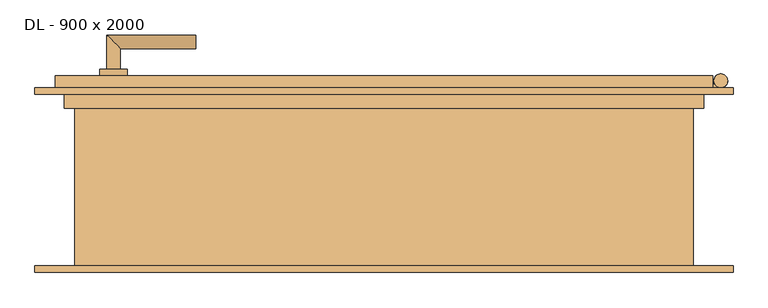
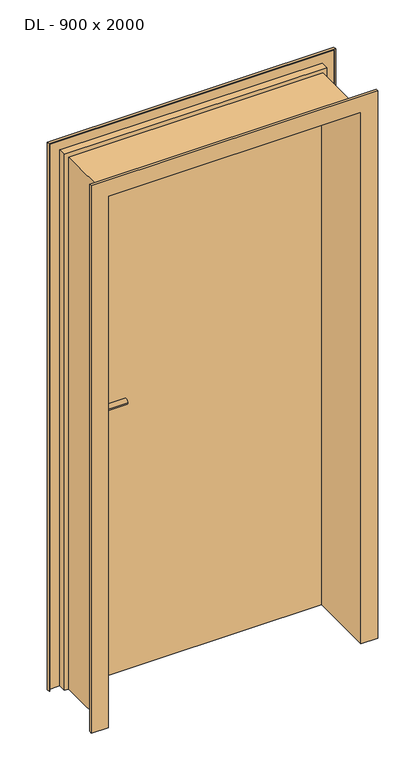
"""IFC4 building model written with IfcOpenShell, lengths in millimetres: door geometry, DL - 900 x 2000."""

from ifc_helpers import new_model, si_unit, point, frame, frame_2d, origin, place, context, project, spatial, polyline, circle_curve, ellipse_curve, trimmed, segment, composite_curve, outline, extrude, faceted_brep, source, transform, mapped, element, save
from ifc_brep_helpers import plane_surface, cylinder_surface, advanced_brep


def dl_900_x_2000_3e882ca3(model_context):
    return source(origin(), model_context, "Body", "SolidModel", [
        faceted_brep([(480.0, 152.0, 0.0), (480.0, 135.0, 0.0), (465.0, 135.0, 0.0), (465.0, 107.0, 0.0), (-465.0, 107.0, 0.0), (-465.0, 135.0, 0.0), (-480.0, 135.0, 0.0), (-480.0, 152.0, 0.0), (480.0, 152.0, 2030.0), (-480.0, 152.0, 2030.0), (-480.0, 135.0, 2030.0), (-465.0, 135.0, 2015.0), (465.0, 135.0, 2015.0), (480.0, 135.0, 2030.0), (-465.0, 107.0, 2015.0), (465.0, 107.0, 2015.0)], [[[0, 1, 2, 3, 4, 5, 6, 7]], [[8, 0, 7, 9]], [[7, 6, 10, 9]], [[11, 12, 2, 1, 13, 10, 6, 5]], [[5, 4, 14, 11]], [[3, 15, 14, 4]], [[12, 15, 3, 2]], [[8, 13, 1, 0]], [[9, 10, 13, 8]], [[11, 14, 15, 12]]]),
        extrude(outline(composite_curve([segment(trimmed(circle_curve(frame_2d((492.0, 145.0)), 10.0), [point((482.0, 145.0))], [point((502.0, 145.0))], False, "CARTESIAN"), True, "CONTINUOUS"), segment(trimmed(circle_curve(frame_2d((492.0, 145.0)), 10.0), [point((502.0, 145.0))], [point((482.0, 145.0))], False, "CARTESIAN"), True, "CONTINUOUS")], self_intersect=False)), frame((0.0, 0.0, 1799.0), z_axis=(0.0, 0.0, 1.0), x_axis=(1.0, 0.0, 0.0)), (0.0, 0.0, 1.0), 25.0),
        extrude(outline(composite_curve([segment(polyline([(492.0, 135.0), (480.0, 135.0), (480.0, 140.0), (483.339746, 140.0)]), True, "CONTINUOUS"), segment(trimmed(circle_curve(frame_2d((492.0, 145.0)), 10.0), [point((483.339746, 140.0))], [point((492.0, 135.0))], False, "CARTESIAN"), True, "CONTINUOUS")], self_intersect=False)), frame((0.0, 0.0, 1749.0), z_axis=(0.0, 0.0, 1.0), x_axis=(1.0, 0.0, 0.0)), (0.0, 0.0, 1.0), 50.0),
        extrude(outline(composite_curve([segment(trimmed(circle_curve(frame_2d((492.0, 145.0)), 10.0), [point((482.0, 145.0))], [point((502.0, 145.0))], False, "CARTESIAN"), True, "CONTINUOUS"), segment(trimmed(circle_curve(frame_2d((492.0, 145.0)), 10.0), [point((502.0, 145.0))], [point((482.0, 145.0))], False, "CARTESIAN"), True, "CONTINUOUS")], self_intersect=False)), frame((0.0, 0.0, 1724.0), z_axis=(0.0, 0.0, 1.0), x_axis=(1.0, 0.0, 0.0)), (0.0, 0.0, 1.0), 25.0),
        extrude(outline(composite_curve([segment(trimmed(circle_curve(frame_2d((492.0, 145.0)), 10.0), [point((482.0, 145.0))], [point((502.0, 145.0))], False, "CARTESIAN"), True, "CONTINUOUS"), segment(trimmed(circle_curve(frame_2d((492.0, 145.0)), 10.0), [point((502.0, 145.0))], [point((482.0, 145.0))], False, "CARTESIAN"), True, "CONTINUOUS")], self_intersect=False)), frame((0.0, 0.0, 266.0), z_axis=(0.0, 0.0, 1.0), x_axis=(1.0, 0.0, 0.0)), (0.0, 0.0, 1.0), 25.0),
        extrude(outline(composite_curve([segment(polyline([(492.0, 135.0), (480.0, 135.0), (480.0, 140.0), (483.339746, 140.0)]), True, "CONTINUOUS"), segment(trimmed(circle_curve(frame_2d((492.0, 145.0)), 10.0), [point((483.339746, 140.0))], [point((492.0, 135.0))], False, "CARTESIAN"), True, "CONTINUOUS")], self_intersect=False)), frame((0.0, 0.0, 216.0), z_axis=(0.0, 0.0, 1.0), x_axis=(1.0, 0.0, 0.0)), (0.0, 0.0, 1.0), 50.0),
        extrude(outline(composite_curve([segment(trimmed(circle_curve(frame_2d((492.0, 145.0)), 10.0), [point((482.0, 145.0))], [point((502.0, 145.0))], False, "CARTESIAN"), True, "CONTINUOUS"), segment(trimmed(circle_curve(frame_2d((492.0, 145.0)), 10.0), [point((502.0, 145.0))], [point((482.0, 145.0))], False, "CARTESIAN"), True, "CONTINUOUS")], self_intersect=False)), frame((0.0, 0.0, 191.0), z_axis=(0.0, 0.0, 1.0), x_axis=(1.0, 0.0, 0.0)), (0.0, 0.0, 1.0), 25.0),
        advanced_brep(
        [(-385.0, 162.0, 1050.0), (-405.0, 162.0, 1050.0), (-385.0, 192.0, 1050.0), (-405.0, 212.0, 1050.0), (-275.0, 192.0, 1050.0), (-275.0, 212.0, 1050.0)],
        [
            (0, 1, circle_curve(frame((-395.0, 162.0, 1050.0), z_axis=(0.0, -1.0, 0.0), x_axis=(-1.0, 0.0, 0.0)), 10.0)),
            (1, 0, circle_curve(frame((-395.0, 162.0, 1050.0), z_axis=(0.0, -1.0, 0.0), x_axis=(-1.0, 0.0, 0.0)), 10.0)),
            (0, 2),
            (2, 3, ellipse_curve(frame((-395.0, 202.0, 1050.0), z_axis=(-0.7071067811865531, -0.7071067811865419, 0.0), x_axis=(0.707106781186542, -0.707106781186553, 0.0)), 14.1421356, 10.0)),
            (3, 1),
            (3, 2, ellipse_curve(frame((-395.0, 202.0, 1050.0), z_axis=(-0.7071067811865531, -0.7071067811865419, 0.0), x_axis=(0.707106781186542, -0.707106781186553, 0.0)), 14.1421356, 10.0)),
            (4, 5, circle_curve(frame((-275.0, 202.0, 1050.0), z_axis=(1.0, 0.0, 0.0), x_axis=(0.0, 1.0, 0.0)), 10.0)),
            (5, 4, circle_curve(frame((-275.0, 202.0, 1050.0), z_axis=(1.0, 0.0, 0.0), x_axis=(0.0, 1.0, 0.0)), 10.0)),
            (2, 4),
            (5, 3),
        ],
        [
            plane_surface(frame((-395.0, 162.0, 1050.0), z_axis=(0.0, -1.0, 0.0), x_axis=(0.0, 0.0, 1.0))),
            cylinder_surface(frame((-395.0, 162.0, 1050.0), z_axis=(0.0, -1.0, 0.0), x_axis=(-1.0, 0.0, 0.0)), 10.0),
            plane_surface(frame((-275.0, 202.0, 1050.0), z_axis=(1.0, 0.0, 0.0), x_axis=(0.0, 0.0, 1.0))),
            cylinder_surface(frame((-395.0, 202.0, 1050.0), z_axis=(-1.0, 0.0, 0.0), x_axis=(0.0, 1.0, 0.0)), 10.0),
        ],
        [
            (0, [[1, 2]]),
            (1, [[-1, 3, 4, 5]]),
            (1, [[-2, -5, 6, -3]]),
            (2, [[7, 8]]),
            (3, [[-4, 9, -8, 10]]),
            (3, [[-6, -10, -7, -9]]),
        ],
    ),
        extrude(outline(composite_curve([segment(trimmed(circle_curve(frame_2d((990.0, -395.0)), 20.0), [point((990.0, -415.0))], [point((990.0, -375.0))], False, "CARTESIAN"), True, "CONTINUOUS"), segment(trimmed(circle_curve(frame_2d((990.0, -395.0)), 20.0), [point((990.0, -375.0))], [point((990.0, -415.0))], False, "CARTESIAN"), True, "CONTINUOUS")], self_intersect=False), holes=[composite_curve([segment(polyline([(976.4601385, -397.397268), (988.4749012, -397.397268)]), True, "CONTINUOUS"), segment(trimmed(circle_curve(frame_2d((995.0361633, -395.0)), 6.9854888), [point((988.4749012, -397.397268))], [point((988.4749012, -392.602732))], True, "CARTESIAN"), True, "CONTINUOUS"), segment(polyline([(988.4749012, -392.602732), (976.4601385, -392.602732)]), True, "CONTINUOUS"), segment(trimmed(circle_curve(frame_2d((976.4601385, -395.0)), 2.397268), [point((976.4601385, -392.602732))], [point((976.4601385, -397.397268))], True, "CARTESIAN"), True, "CONTINUOUS")], self_intersect=False)]), frame((0.0, 152.0, 0.0), z_axis=(0.0, 1.0, 0.0), x_axis=(0.0, 0.0, 1.0)), (0.0, 0.0, 1.0), 10.0),
        advanced_brep(
        [(-385.0, 162.0, 1050.0), (-405.0, 162.0, 1050.0), (-385.0, 192.0, 1050.0), (-405.0, 212.0, 1050.0), (-275.0, 192.0, 1050.0), (-275.0, 212.0, 1050.0)],
        [
            (0, 1, circle_curve(frame((-395.0, 162.0, 1050.0), z_axis=(0.0, -1.0, 0.0), x_axis=(-1.0, 0.0, 0.0)), 10.0)),
            (1, 0, circle_curve(frame((-395.0, 162.0, 1050.0), z_axis=(0.0, -1.0, 0.0), x_axis=(-1.0, 0.0, 0.0)), 10.0)),
            (0, 2),
            (2, 3, ellipse_curve(frame((-395.0, 202.0, 1050.0), z_axis=(-0.7071067811865537, -0.7071067811865414, 0.0), x_axis=(0.7071067811865414, -0.7071067811865536, 0.0)), 14.1421356, 10.0)),
            (3, 1),
            (3, 2, ellipse_curve(frame((-395.0, 202.0, 1050.0), z_axis=(-0.7071067811865537, -0.7071067811865414, 0.0), x_axis=(0.7071067811865414, -0.7071067811865536, 0.0)), 14.1421356, 10.0)),
            (4, 5, circle_curve(frame((-275.0, 202.0, 1050.0), z_axis=(1.0, 0.0, 0.0), x_axis=(0.0, 1.0, 0.0)), 10.0)),
            (5, 4, circle_curve(frame((-275.0, 202.0, 1050.0), z_axis=(1.0, 0.0, 0.0), x_axis=(0.0, 1.0, 0.0)), 10.0)),
            (2, 4),
            (5, 3),
        ],
        [
            plane_surface(frame((-395.0, 162.0, 1050.0), z_axis=(0.0, -1.0, 0.0), x_axis=(0.0, 0.0, 1.0))),
            cylinder_surface(frame((-395.0, 162.0, 1050.0), z_axis=(0.0, -1.0, 0.0), x_axis=(-1.0, 0.0, 0.0)), 10.0),
            plane_surface(frame((-275.0, 202.0, 1050.0), z_axis=(1.0, 0.0, 0.0), x_axis=(0.0, 0.0, 1.0))),
            cylinder_surface(frame((-395.0, 202.0, 1050.0), z_axis=(-1.0, 0.0, 0.0), x_axis=(0.0, 1.0, 0.0)), 10.0),
        ],
        [
            (0, [[1, 2]]),
            (1, [[-1, 3, 4, 5]]),
            (1, [[-2, -5, 6, -3]]),
            (2, [[7, 8]]),
            (3, [[-4, 9, -8, 10]]),
            (3, [[-6, -10, -7, -9]]),
        ],
    ),
        extrude(outline(composite_curve([segment(trimmed(circle_curve(frame_2d((1050.0, -395.0)), 20.0), [point((1050.0, -415.0))], [point((1050.0, -375.0))], False, "CARTESIAN"), True, "CONTINUOUS"), segment(trimmed(circle_curve(frame_2d((1050.0, -395.0)), 20.0), [point((1050.0, -375.0))], [point((1050.0, -415.0))], False, "CARTESIAN"), True, "CONTINUOUS")], self_intersect=False)), frame((0.0, 152.0, 0.0), z_axis=(0.0, 1.0, 0.0), x_axis=(0.0, 0.0, 1.0)), (0.0, 0.0, 1.0), 10.0),
        advanced_brep(
        [(-385.0, 97.0, 1050.0), (-405.0, 97.0, 1050.0), (-405.0, 47.0, 1050.0), (-385.0, 67.0, 1050.0), (-275.0, 67.0, 1050.0), (-275.0, 47.0, 1050.0)],
        [
            (0, 1, circle_curve(frame((-395.0, 97.0, 1050.0), z_axis=(0.0, 1.0, 0.0), x_axis=(-1.0, 0.0, 0.0)), 10.0)),
            (1, 0, circle_curve(frame((-395.0, 97.0, 1050.0), z_axis=(0.0, 1.0, 0.0), x_axis=(-1.0, 0.0, 0.0)), 10.0)),
            (1, 2),
            (2, 3, ellipse_curve(frame((-395.0, 57.0, 1050.0), z_axis=(-0.7071067811865486, 0.7071067811865464, 0.0), x_axis=(0.7071067811865464, 0.7071067811865488, 0.0)), 14.1421356, 10.0)),
            (3, 0),
            (3, 2, ellipse_curve(frame((-395.0, 57.0, 1050.0), z_axis=(-0.7071067811865486, 0.7071067811865464, 0.0), x_axis=(0.7071067811865464, 0.7071067811865488, 0.0)), 14.1421356, 10.0)),
            (4, 5, circle_curve(frame((-275.0, 57.0, 1050.0), z_axis=(1.0, 0.0, 0.0), x_axis=(0.0, -1.0, 0.0)), 10.0)),
            (5, 4, circle_curve(frame((-275.0, 57.0, 1050.0), z_axis=(1.0, 0.0, 0.0), x_axis=(0.0, -1.0, 0.0)), 10.0)),
            (2, 5),
            (4, 3),
        ],
        [
            plane_surface(frame((-395.0, 97.0, 1050.0), z_axis=(0.0, 1.0, 0.0), x_axis=(0.0, 0.0, 1.0))),
            cylinder_surface(frame((-395.0, 97.0, 1050.0), z_axis=(0.0, 1.0, 0.0), x_axis=(-1.0, 0.0, 0.0)), 10.0),
            plane_surface(frame((-275.0, 57.0, 1050.0), z_axis=(1.0, 0.0, 0.0), x_axis=(0.0, 0.0, 1.0))),
            cylinder_surface(frame((-395.0, 57.0, 1050.0), z_axis=(-1.0, 0.0, 0.0), x_axis=(0.0, -1.0, 0.0)), 10.0),
        ],
        [
            (0, [[1, 2]]),
            (1, [[3, 4, 5, -2]]),
            (1, [[-5, 6, -3, -1]]),
            (2, [[7, 8]]),
            (3, [[9, -7, 10, -4]]),
            (3, [[-10, -8, -9, -6]]),
        ],
    ),
        extrude(outline(composite_curve([segment(trimmed(circle_curve(frame_2d((990.0, -395.0)), 20.0), [point((990.0, -415.0))], [point((990.0, -375.0))], False, "CARTESIAN"), True, "CONTINUOUS"), segment(trimmed(circle_curve(frame_2d((990.0, -395.0)), 20.0), [point((990.0, -375.0))], [point((990.0, -415.0))], False, "CARTESIAN"), True, "CONTINUOUS")], self_intersect=False), holes=[composite_curve([segment(polyline([(976.4601385, -397.397268), (988.4749012, -397.397268)]), True, "CONTINUOUS"), segment(trimmed(circle_curve(frame_2d((995.0361633, -395.0)), 6.9854888), [point((988.4749012, -397.397268))], [point((988.4749012, -392.602732))], True, "CARTESIAN"), True, "CONTINUOUS"), segment(polyline([(988.4749012, -392.602732), (976.4601385, -392.602732)]), True, "CONTINUOUS"), segment(trimmed(circle_curve(frame_2d((976.4601385, -395.0)), 2.397268), [point((976.4601385, -392.602732))], [point((976.4601385, -397.397268))], True, "CARTESIAN"), True, "CONTINUOUS")], self_intersect=False)]), frame((0.0, 97.0, 0.0), z_axis=(0.0, 1.0, 0.0), x_axis=(0.0, 0.0, 1.0)), (0.0, 0.0, 1.0), 10.0),
        advanced_brep(
        [(-385.0, 97.0, 1050.0), (-405.0, 97.0, 1050.0), (-405.0, 47.0, 1050.0), (-385.0, 67.0, 1050.0), (-275.0, 67.0, 1050.0), (-275.0, 47.0, 1050.0)],
        [
            (0, 1, circle_curve(frame((-395.0, 97.0, 1050.0), z_axis=(0.0, 1.0, 0.0), x_axis=(-1.0, 0.0, 0.0)), 10.0)),
            (1, 0, circle_curve(frame((-395.0, 97.0, 1050.0), z_axis=(0.0, 1.0, 0.0), x_axis=(-1.0, 0.0, 0.0)), 10.0)),
            (1, 2),
            (2, 3, ellipse_curve(frame((-395.0, 57.0, 1050.0), z_axis=(-0.7071067811865491, 0.7071067811865459, 0.0), x_axis=(0.7071067811865458, 0.7071067811865492, 0.0)), 14.1421356, 10.0)),
            (3, 0),
            (3, 2, ellipse_curve(frame((-395.0, 57.0, 1050.0), z_axis=(-0.7071067811865491, 0.7071067811865459, 0.0), x_axis=(0.7071067811865458, 0.7071067811865492, 0.0)), 14.1421356, 10.0)),
            (4, 5, circle_curve(frame((-275.0, 57.0, 1050.0), z_axis=(1.0, 0.0, 0.0), x_axis=(0.0, -1.0, 0.0)), 10.0)),
            (5, 4, circle_curve(frame((-275.0, 57.0, 1050.0), z_axis=(1.0, 0.0, 0.0), x_axis=(0.0, -1.0, 0.0)), 10.0)),
            (2, 5),
            (4, 3),
        ],
        [
            plane_surface(frame((-395.0, 97.0, 1050.0), z_axis=(0.0, 1.0, 0.0), x_axis=(0.0, 0.0, 1.0))),
            cylinder_surface(frame((-395.0, 97.0, 1050.0), z_axis=(0.0, 1.0, 0.0), x_axis=(-1.0, 0.0, 0.0)), 10.0),
            plane_surface(frame((-275.0, 57.0, 1050.0), z_axis=(1.0, 0.0, 0.0), x_axis=(0.0, 0.0, 1.0))),
            cylinder_surface(frame((-395.0, 57.0, 1050.0), z_axis=(-1.0, 0.0, 0.0), x_axis=(0.0, -1.0, 0.0)), 10.0),
        ],
        [
            (0, [[1, 2]]),
            (1, [[3, 4, 5, -2]]),
            (1, [[-5, 6, -3, -1]]),
            (2, [[7, 8]]),
            (3, [[9, -7, 10, -4]]),
            (3, [[-10, -8, -9, -6]]),
        ],
    ),
        extrude(outline(composite_curve([segment(trimmed(circle_curve(frame_2d((1050.0, -395.0)), 20.0), [point((1050.0, -415.0))], [point((1050.0, -375.0))], False, "CARTESIAN"), True, "CONTINUOUS"), segment(trimmed(circle_curve(frame_2d((1050.0, -395.0)), 20.0), [point((1050.0, -375.0))], [point((1050.0, -415.0))], False, "CARTESIAN"), True, "CONTINUOUS")], self_intersect=False)), frame((0.0, 97.0, 0.0), z_axis=(0.0, 1.0, 0.0), x_axis=(0.0, 0.0, 1.0)), (0.0, 0.0, 1.0), 10.0),
        faceted_brep([(-465.0, 135.0, 0.0), (-465.0, 107.0, 0.0), (-450.0, 107.0, 0.0), (-450.0, -135.0, 0.0), (-510.0, -135.0, 0.0), (-510.0, -125.0, 0.0), (-508.0, -125.0, 0.0), (-508.0, -133.0, 0.0), (-452.0, -133.0, 0.0), (-452.0, 105.0, 0.0), (-467.0, 105.0, 0.0), (-467.0, 133.0, 0.0), (-508.0, 133.0, 0.0), (-508.0, 125.0, 0.0), (-510.0, 125.0, 0.0), (-510.0, 135.0, 0.0), (-465.0, 135.0, 2015.0), (-465.0, 107.0, 2015.0), (465.0, 107.0, 2015.0), (465.0, 107.0, 0.0), (450.0, 107.0, 0.0), (450.0, 107.0, 2000.0), (-450.0, 107.0, 2000.0), (-450.0, -135.0, 2000.0), (450.0, -135.0, 2000.0), (450.0, -135.0, 0.0), (510.0, -135.0, 0.0), (510.0, -135.0, 2060.0), (-510.0, -135.0, 2060.0), (-510.0, -125.0, 2060.0), (510.0, -125.0, 2060.0), (510.0, -125.0, 0.0), (508.0, -125.0, 0.0), (508.0, -125.0, 2058.0), (-508.0, -125.0, 2058.0), (-508.0, -133.0, 2058.0), (508.0, -133.0, 2058.0), (508.0, -133.0, 0.0), (452.0, -133.0, 0.0), (452.0, -133.0, 2002.0), (-452.0, -133.0, 2002.0), (-452.0, 105.0, 2002.0), (452.0, 105.0, 2002.0), (452.0, 105.0, 0.0), (467.0, 105.0, 0.0), (467.0, 105.0, 2017.0), (-467.0, 105.0, 2017.0), (-467.0, 133.0, 2017.0), (467.0, 133.0, 2017.0), (467.0, 133.0, 0.0), (508.0, 133.0, 0.0), (508.0, 133.0, 2058.0), (-508.0, 133.0, 2058.0), (-508.0, 125.0, 2058.0), (508.0, 125.0, 2058.0), (508.0, 125.0, 0.0), (510.0, 125.0, 0.0), (510.0, 125.0, 2060.0), (-510.0, 125.0, 2060.0), (-510.0, 135.0, 2060.0), (510.0, 135.0, 2060.0), (510.0, 135.0, 0.0), (465.0, 135.0, 0.0), (465.0, 135.0, 2015.0)], [[[0, 1, 2, 3, 4, 5, 6, 7, 8, 9, 10, 11, 12, 13, 14, 15]], [[1, 0, 16, 17]], [[2, 1, 17, 18, 19, 20, 21, 22]], [[3, 2, 22, 23]], [[4, 3, 23, 24, 25, 26, 27, 28]], [[5, 4, 28, 29]], [[6, 5, 29, 30, 31, 32, 33, 34]], [[7, 6, 34, 35]], [[8, 7, 35, 36, 37, 38, 39, 40]], [[9, 8, 40, 41]], [[10, 9, 41, 42, 43, 44, 45, 46]], [[11, 10, 46, 47]], [[12, 11, 47, 48, 49, 50, 51, 52]], [[13, 12, 52, 53]], [[14, 13, 53, 54, 55, 56, 57, 58]], [[15, 14, 58, 59]], [[0, 15, 59, 60, 61, 62, 63, 16]], [[60, 57, 56, 61]], [[62, 61, 56, 55, 50, 49, 44, 43, 38, 37, 32, 31, 26, 25, 20, 19]], [[18, 63, 62, 19]], [[24, 21, 20, 25]], [[30, 27, 26, 31]], [[54, 51, 50, 55]], [[48, 45, 44, 49]], [[42, 39, 38, 43]], [[36, 33, 32, 37]], [[23, 22, 21, 24]], [[17, 16, 63, 18]], [[59, 58, 57, 60]], [[53, 52, 51, 54]], [[47, 46, 45, 48]], [[41, 40, 39, 42]], [[35, 34, 33, 36]], [[29, 28, 27, 30]]]),
    ])


if __name__ == "__main__":
    model = new_model("IFC4")
    model_context = context("Model", 3, world=origin())
    ifc_project = project(units=[si_unit("LENGTHUNIT", "METRE", prefix="MILLI")], contexts=[model_context])
    site = spatial("IfcSite", under=ifc_project)
    building = spatial("IfcBuilding", under=site)
    placement = place(None, origin())
    dl_900_x_2000_shape = dl_900_x_2000_3e882ca3(model_context)
    element("IfcDoor", 1, ObjectType="DL - 900 x 2000", at=placement, inside=building, context=model_context, shape_type="MappedRepresentation", body=[
        mapped(dl_900_x_2000_shape, transform((0.0, 0.0, 0.0), x_axis=(1.0, 0.0, 0.0), y_axis=(0.0, 1.0, 0.0), z_axis=(0.0, 0.0, 1.0))),
    ])
    save(model, "model.ifc")
